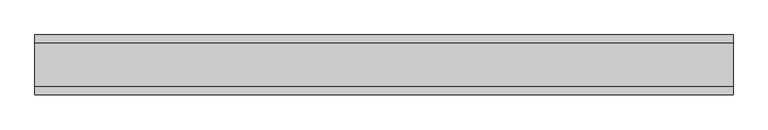
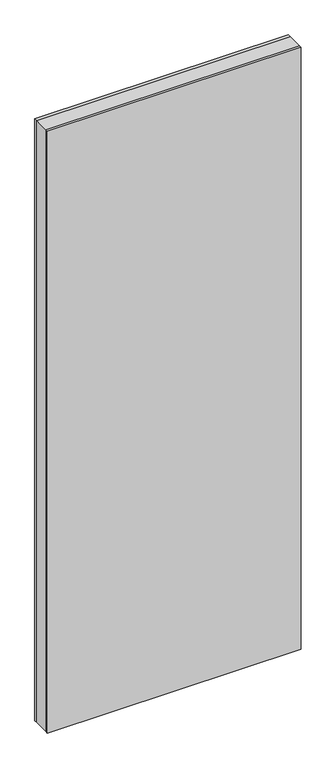
"""IFC4 building model written with IfcOpenShell, lengths in millimetres: plate geometry."""

from ifc_helpers import new_model, si_unit, origin, origin_with_axes, place, context, project, spatial, polyline, outline, extrude, source, transform, mapped, element, save


def plate_22cabd23(model_context):
    return source(origin(), model_context, "Body", "SweptSolid", [
        extrude(outline(polyline([(583.9500002, 36.0), (583.9500002, -36.0), (-583.9500002, -36.0), (-583.9500002, 36.0), (583.9500002, 36.0)])), origin_with_axes(), (0.0, 0.0, 1.0), 2925.7),
        extrude(outline(polyline([(583.9500002, 50.0), (583.9500002, 36.0), (-583.9500002, 36.0), (-583.9500002, 50.0), (583.9500002, 50.0)])), origin_with_axes(), (0.0, 0.0, 1.0), 2925.7),
        extrude(outline(polyline([(583.9500002, -36.0), (583.9500002, -50.0), (-583.9500002, -50.0), (-583.9500002, -36.0), (583.9500002, -36.0)])), origin_with_axes(), (0.0, 0.0, 1.0), 2925.7),
    ])


if __name__ == "__main__":
    model = new_model("IFC4")
    model_context = context("Model", 3, world=origin())
    ifc_project = project(units=[si_unit("LENGTHUNIT", "METRE", prefix="MILLI")], contexts=[model_context])
    site = spatial("IfcSite", under=ifc_project)
    building = spatial("IfcBuilding", under=site)
    placement = place(None, origin())
    plate_shape = plate_22cabd23(model_context)
    element("IfcPlate", 1, at=placement, inside=building, context=model_context, shape_type="MappedRepresentation", body=[
        mapped(plate_shape, transform((0.0, 0.0, 0.0), x_axis=(1.0, 0.0, 0.0), y_axis=(0.0, 1.0, 0.0), z_axis=(0.0, 0.0, 1.0))),
    ])
    save(model, "model.ifc")
